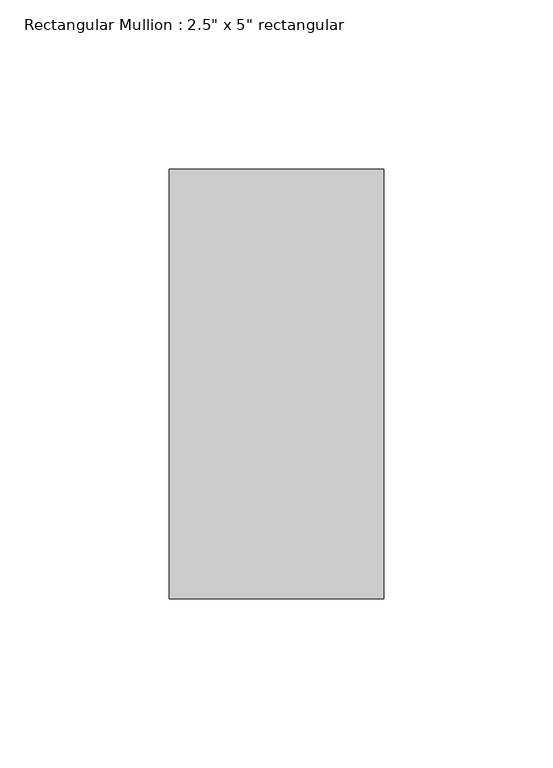
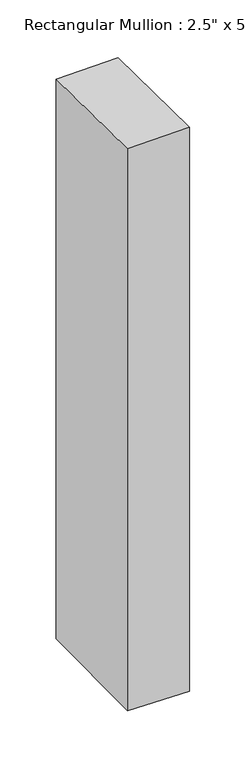
"""IFC4 building model written with IfcOpenShell, lengths in millimetres: member geometry."""

import ifcopenshell
import ifcopenshell.guid

model = None  # the IFC model being written
_history = None  # IfcOwnerHistory: only IFC2X3 demands one
_inside = {}  # id of a spatial element -> (the spatial element, [elements in it])
_under = {}  # id of a project, library or spatial element -> (it, [spatial elements below it])
_declared = {}  # id of a project -> (the project, [libraries it declares])
_typed = {}  # id of a type object -> (the type object, [elements of that type])
_made_of = {}  # id of a material, layer set ... -> (it, [elements and type objects made of it])


def new_model(schema):
    """Start an empty IFC model of exactly this schema.

    Asked for "IFC4X3", IfcOpenShell would pick the latest addendum, in which some entities
    have other attributes; the version numbers below select the first issue.
    IFC2X3 requires an IfcOwnerHistory on every rooted entity: one is made here for all.
    """
    global model, _history
    if schema == "IFC4X3":
        model = ifcopenshell.file(schema_version=(4, 3, 0, 0))
    else:
        model = ifcopenshell.file(schema=schema)
    _inside.clear()
    _under.clear()
    _declared.clear()
    _typed.clear()
    _made_of.clear()
    _history = None
    if model.schema == "IFC2X3":
        org = make("IfcOrganization", Name="unknown")
        user = make(
            "IfcPersonAndOrganization",
            ThePerson=make("IfcPerson", FamilyName="unknown"),
            TheOrganization=org,
        )
        app = make(
            "IfcApplication",
            ApplicationDeveloper=org,
            Version="unknown",
            ApplicationFullName="unknown",
            ApplicationIdentifier="unknown",
        )
        _history = make(
            "IfcOwnerHistory",
            OwningUser=user,
            OwningApplication=app,
            ChangeAction="ADDED",
            CreationDate=0,
        )
    return model


def make(cls, **values):
    """One entity of the class cls with the attributes given. An attribute that is None is left unset."""
    return model.create_entity(
        cls, **{name: value for name, value in values.items() if value is not None}
    )


def rooted(cls, **values):
    """An entity with a GlobalId (a new one), such as an element, a storey or a relation."""
    return make(cls, GlobalId=ifcopenshell.guid.new(), OwnerHistory=_history, **values)


def si_unit(unit_type, name, prefix=None):
    """IfcSIUnit, for example si_unit("LENGTHUNIT", "METRE", prefix="MILLI")."""
    return make("IfcSIUnit", UnitType=unit_type, Prefix=prefix, Name=name)


def assignment(units):
    """IfcUnitAssignment: the units of a project."""
    return None if units is None else make("IfcUnitAssignment", Units=units)


def point(xyz):
    """IfcCartesianPoint."""
    return None if xyz is None else make("IfcCartesianPoint", Coordinates=xyz)


def direction(xyz):
    """IfcDirection."""
    return None if xyz is None else make("IfcDirection", DirectionRatios=xyz)


def frame(location, z_axis=None, x_axis=None):
    """IfcAxis2Placement3D, a coordinate frame: its origin and axes. An axis left out is left unset."""
    return make(
        "IfcAxis2Placement3D",
        Location=point(location),
        Axis=direction(z_axis),
        RefDirection=direction(x_axis),
    )


def origin():
    """The frame at (0, 0, 0) with its axes left unset."""
    return frame((0.0, 0.0, 0.0))


def place(relative_to, where):
    """IfcLocalPlacement: puts the frame where relative to a parent placement (None: the world)."""
    return make(
        "IfcLocalPlacement", PlacementRelTo=relative_to, RelativePlacement=where
    )


def context(
    kind, dimensions, precision=None, world=None, true_north=None, identifier=None
):
    """IfcGeometricRepresentationContext, for example the 3D "Model" context."""
    return make(
        "IfcGeometricRepresentationContext",
        ContextIdentifier=identifier,
        ContextType=kind,
        CoordinateSpaceDimension=dimensions,
        Precision=precision,
        WorldCoordinateSystem=world,
        TrueNorth=true_north,
    )


def project(units=None, contexts=None):
    """IfcProject with its units and contexts."""
    return rooted(
        "IfcProject",
        Name="project",
        RepresentationContexts=contexts,
        UnitsInContext=assignment(units),
    )


def spatial(cls, under=None, at=None, **own):
    """A site, building, storey or space (cls), placed at a placement, below another one or the project."""
    s = rooted(cls, ObjectPlacement=at, **own)
    if under is not None:
        _under.setdefault(under.id(), (under, []))[1].append(s)
    return s


def faces_of(points, faces, orient=None, outer=None):
    """IfcFace entities. A face is a list of loops; a loop is a list of indices into points, from 0.

    orient and outer hold one flag for each loop. By default every Orientation is true, the
    first loop of a face is its IfcFaceOuterBound and the others are IfcFaceBound.
    """
    made = []
    for i, loops in enumerate(faces):
        bounds = []
        for j, loop in enumerate(loops):
            is_outer = j == 0 if outer is None else outer[i][j]
            bounds.append(
                make(
                    "IfcFaceOuterBound" if is_outer else "IfcFaceBound",
                    Bound=make("IfcPolyLoop", Polygon=[points[k] for k in loop]),
                    Orientation=True if orient is None else orient[i][j],
                )
            )
        made.append(make("IfcFace", Bounds=bounds))
    return made


def faceted_brep(points, faces, orient=None, outer=None, voids=None):
    """IfcFacetedBrep: a solid bounded by flat faces; with voids (closed shells), ...WithVoids."""
    shared = [point(p) for p in points]
    hull = make("IfcClosedShell", CfsFaces=faces_of(shared, faces, orient, outer))
    if voids is None:
        return make("IfcFacetedBrep", Outer=hull)
    return make(
        "IfcFacetedBrepWithVoids",
        Outer=hull,
        Voids=[
            make(cls, CfsFaces=faces_of(shared, fs, o, b)) for cls, fs, o, b in voids
        ],
    )


def shape(context_of_items, identifier, shape_type, items):
    """IfcShapeRepresentation: the items that make up one representation, for example the "Body"."""
    return make(
        "IfcShapeRepresentation",
        ContextOfItems=context_of_items,
        RepresentationIdentifier=identifier,
        RepresentationType=shape_type,
        Items=items,
    )


def source(mapping_origin, context_of_items, identifier, shape_type, items):
    """IfcRepresentationMap: a shape defined once, which mapped items show again and again."""
    return make(
        "IfcRepresentationMap",
        MappingOrigin=mapping_origin,
        MappedRepresentation=shape(context_of_items, identifier, shape_type, items),
    )


def transform(
    local_origin,
    x_axis=None,
    y_axis=None,
    z_axis=None,
    scale=None,
    scale2=None,
    scale3=None,
    uniform=True,
):
    """IfcCartesianTransformationOperator3D, or its non-uniform kind. x_axis, y_axis, z_axis: its Axis1, 2, 3."""
    if uniform:
        return make(
            "IfcCartesianTransformationOperator3D",
            Axis1=direction(x_axis),
            Axis2=direction(y_axis),
            LocalOrigin=point(local_origin),
            Scale=scale,
            Axis3=direction(z_axis),
        )
    return make(
        "IfcCartesianTransformationOperator3DnonUniform",
        Axis1=direction(x_axis),
        Axis2=direction(y_axis),
        LocalOrigin=point(local_origin),
        Scale=scale,
        Axis3=direction(z_axis),
        Scale2=scale2,
        Scale3=scale3,
    )


def mapped(mapping_source, mapping_target):
    """IfcMappedItem: shows the shape of a source again, moved by a transform."""
    return make(
        "IfcMappedItem", MappingSource=mapping_source, MappingTarget=mapping_target
    )


def made_of(thing, what):
    """Note that an element or type object is made of a material, layer set ...; save() writes the relation."""
    if what is not None:
        _made_of.setdefault(what.id(), (what, []))[1].append(thing)
    return thing


def element(
    cls,
    number,
    at=None,
    inside=None,
    cuts=None,
    type_object=None,
    material=None,
    context=None,
    identifier="Body",
    shape_type=None,
    held_by="IfcProductDefinitionShape",
    body=None,
    shapes=None,
    **own,
):
    """One element of the class cls, such as IfcWall. Its Tag is "e" and its number.

    at: its placement. inside: the storey or other place that contains it. cuts: it is an
    opening in that element (IfcRelVoidsElement). A single representation is given by context,
    identifier, shape_type and body (its items); several are given by shapes. held_by: the class
    of the entity that holds the representations. save() writes the other relations.
    """
    e = rooted(cls, Tag="e%d" % number, ObjectPlacement=at, **own)
    if body is not None:
        shapes = [shape(context, identifier, shape_type, body)]
    if shapes is not None:
        e.Representation = make(held_by, Representations=shapes)
    if inside is not None:
        _inside.setdefault(inside.id(), (inside, []))[1].append(e)
    if cuts is not None:
        rooted(
            "IfcRelVoidsElement", RelatingBuildingElement=cuts, RelatedOpeningElement=e
        )
    if type_object is not None:
        _typed.setdefault(type_object.id(), (type_object, []))[1].append(e)
    return made_of(e, material)


def aggregate(whole, parts):
    """IfcRelAggregates: a whole, such as a stair, and the parts it consists of."""
    return rooted("IfcRelAggregates", RelatingObject=whole, RelatedObjects=parts)


def save(model, path):
    """Write the relations noted so far, then the file.

    IfcRelAggregates (storeys below a building ...), IfcRelContainedInSpatialStructure (elements
    in a storey), IfcRelDefinesByType, IfcRelAssociatesMaterial and IfcRelDeclares: one each for
    every whole, place, type object, material and project.
    """
    for whole, parts in _under.values():
        aggregate(whole, parts)
    for where, things in _inside.values():
        rooted(
            "IfcRelContainedInSpatialStructure",
            RelatedElements=things,
            RelatingStructure=where,
        )
    for kind, things in _typed.values():
        rooted("IfcRelDefinesByType", RelatedObjects=things, RelatingType=kind)
    for what, things in _made_of.values():
        rooted("IfcRelAssociatesMaterial", RelatedObjects=things, RelatingMaterial=what)
    for by, libraries in _declared.values():
        rooted("IfcRelDeclares", RelatingContext=by, RelatedDefinitions=libraries)
    model.write(path)


def member_f8ad3fdd(model_context):
    return source(origin(), model_context, "Body", "Brep", [
        faceted_brep([(-63.5, 63.5, -1.6334059), (0.0, 63.5, -0.7561451), (0.0, 63.5, -608.9066064), (-63.5, 63.5, -608.1302999), (-63.5, -63.5, -0.1211156), (-63.5, -63.5, -609.6415278), (0.0, -63.5, 0.7561451), (0.0, -63.5, -610.4178343)], [[[0, 1, 2, 3]], [[4, 0, 3, 5]], [[6, 4, 5, 7]], [[1, 6, 7, 2]], [[1, 0, 4, 6]], [[2, 7, 5, 3]]]),
    ])


if __name__ == "__main__":
    model = new_model("IFC4")
    model_context = context("Model", 3, world=origin())
    ifc_project = project(units=[si_unit("LENGTHUNIT", "METRE", prefix="MILLI")], contexts=[model_context])
    site = spatial("IfcSite", under=ifc_project)
    building = spatial("IfcBuilding", under=site)
    placement = place(None, origin())
    member_shape = member_f8ad3fdd(model_context)
    element("IfcMember", 1, ObjectType="Rectangular Mullion : 2.5\" x 5\" rectangular", at=placement, inside=building, context=model_context, shape_type="MappedRepresentation", body=[
        mapped(member_shape, transform((0.0, 0.0, 0.0), x_axis=(1.0, 0.0, 0.0), y_axis=(0.0, 1.0, 0.0), z_axis=(0.0, 0.0, 1.0))),
    ])
    save(model, "model.ifc")
